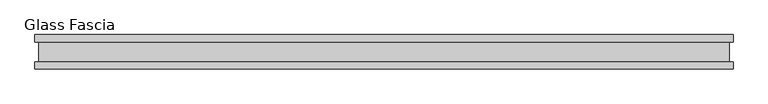
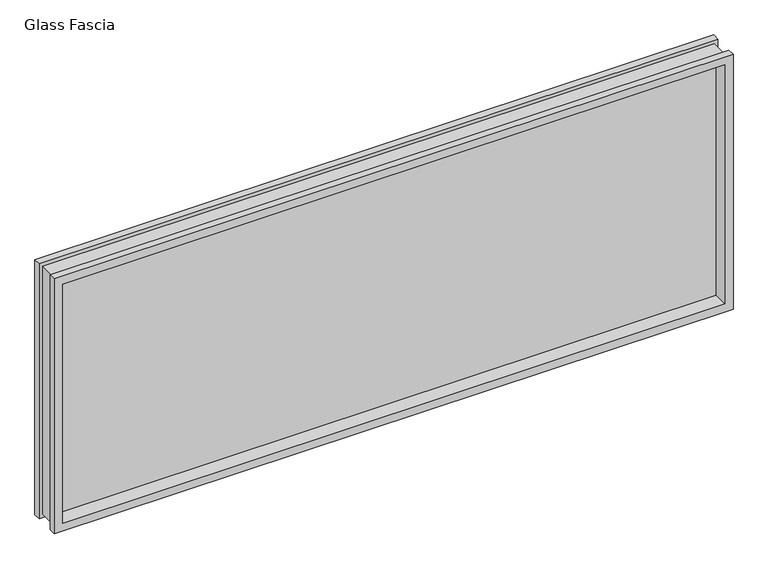
"""IFC4 building model written with IfcOpenShell, lengths in millimetres: proxy geometry, Glass Fascia."""

from ifc_helpers import new_model, si_unit, frame, origin, place, context, project, spatial, polyline, outline, extrude, faceted_brep, source, transform, mapped, element, save


def glass_fascia_e9c48712(model_context):
    return source(origin(), model_context, "Body", "SolidModel", [
        faceted_brep([(998.3995219, -5.0827449, 793.1305243), (998.3995219, 5.0827449, 793.1305243), (998.3995219, 5.0827449, 17.6374757), (998.3995219, -5.0827449, 17.6374757), (1012.8619976, -28.8801202, 807.593), (1012.8619976, -50.0558594, 807.593), (1012.8619976, -50.0558594, 3.175), (1012.8619976, -28.8801202, 3.175), (1002.0369977, 28.2698798, 796.7680001), (1002.0369977, -28.8801202, 796.7680001), (1002.0369977, -28.8801202, 13.9999999), (1002.0369977, 28.2698798, 13.9999999), (1012.8619976, 50.0558594, 807.593), (1012.8619976, 28.2698798, 807.593), (1012.8619976, 28.2698798, 3.175), (1012.8619976, 50.0558594, 3.175), (-998.3995219, 5.0827449, 17.6374757), (-998.3995219, -5.0827449, 17.6374757), (-1012.8619976, -50.0558594, 3.175), (-1012.8619976, -28.8801202, 3.175), (-1002.0369977, -28.8801202, 13.9999999), (-1002.0369977, 28.2698798, 13.9999999), (-1012.8619976, 28.2698798, 3.175), (-1012.8619976, 50.0558594, 3.175), (-998.3995219, 5.0827449, 793.1305243), (-998.3995219, -5.0827449, 793.1305243), (-1012.8619976, -50.0558594, 807.593), (-1012.8619976, -28.8801202, 807.593), (-1002.0369977, -28.8801202, 796.7680001), (-1002.0369977, 28.2698798, 796.7680001), (-1012.8619976, 28.2698798, 807.593), (-1012.8619976, 50.0558594, 807.593), (987.9093308, 50.0558594, 782.6403332), (-987.9093308, 50.0558594, 782.6403332), (-987.9093308, 50.0558594, 28.1276668), (987.9093308, 50.0558594, 28.1276668), (987.9093308, 5.0827449, 28.1276668), (-987.9093308, 5.0827449, 28.1276668), (-987.9093308, 5.0827449, 782.6403332), (987.9093308, 5.0827449, 782.6403332), (987.9093308, -5.0827449, 782.6403332), (-987.9093308, -5.0827449, 782.6403332), (-987.9093308, -5.0827449, 28.1276668), (987.9093308, -5.0827449, 28.1276668), (987.9093308, -50.0558594, 28.1276668), (-987.9093308, -50.0558594, 28.1276668), (-987.9093308, -50.0558594, 782.6403332), (987.9093308, -50.0558594, 782.6403332)], [[[0, 1, 2, 3]], [[4, 5, 6, 7]], [[8, 9, 10, 11]], [[12, 13, 14, 15]], [[3, 2, 16, 17]], [[7, 6, 18, 19]], [[11, 10, 20, 21]], [[15, 14, 22, 23]], [[17, 16, 24, 25]], [[19, 18, 26, 27]], [[21, 20, 28, 29]], [[23, 22, 30, 31]], [[15, 23, 31, 12], [32, 33, 34, 35]], [[1, 24, 16, 2], [36, 37, 38, 39]], [[25, 24, 1, 0]], [[3, 17, 25, 0], [40, 41, 42, 43]], [[5, 26, 18, 6], [44, 45, 46, 47]], [[27, 26, 5, 4]], [[7, 19, 27, 4], [9, 28, 20, 10]], [[29, 28, 9, 8]], [[13, 30, 22, 14], [11, 21, 29, 8]], [[31, 30, 13, 12]], [[39, 32, 35, 36]], [[47, 40, 43, 44]], [[36, 35, 34, 37]], [[44, 43, 42, 45]], [[37, 34, 33, 38]], [[45, 42, 41, 46]], [[38, 33, 32, 39]], [[46, 41, 40, 47]]]),
        extrude(outline(polyline([(998.3995219, 2.9765625), (998.3995219, -2.9765625), (-998.3995219, -2.9765625), (-998.3995219, 2.9765625), (998.3995219, 2.9765625)])), frame((0.0, 0.0, 17.6374757), z_axis=(0.0, 0.0, 1.0), x_axis=(1.0, 0.0, 0.0)), (0.0, 0.0, 1.0), 775.4930485),
    ])


if __name__ == "__main__":
    model = new_model("IFC4")
    model_context = context("Model", 3, world=origin())
    ifc_project = project(units=[si_unit("LENGTHUNIT", "METRE", prefix="MILLI")], contexts=[model_context])
    site = spatial("IfcSite", under=ifc_project)
    building = spatial("IfcBuilding", under=site)
    placement = place(None, origin())
    glass_fascia_shape = glass_fascia_e9c48712(model_context)
    element("IfcBuildingElementProxy", 1, Name="Glass Fascia", ObjectType="Glass Fascia", at=placement, inside=building, context=model_context, shape_type="MappedRepresentation", body=[
        mapped(glass_fascia_shape, transform((0.0, 0.0, 0.0), x_axis=(1.0, 0.0, 0.0), y_axis=(0.0, 1.0, 0.0), z_axis=(0.0, 0.0, 1.0))),
    ])
    save(model, "model.ifc")
